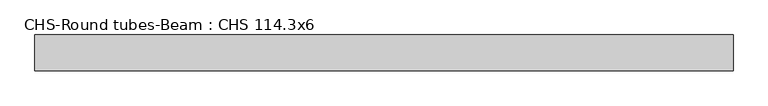
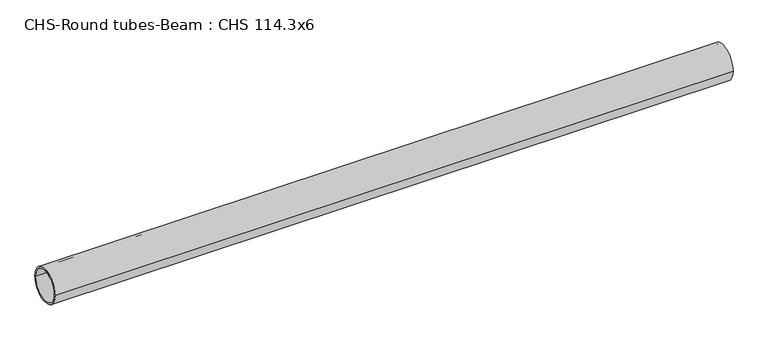
"""IFC4 building model written with IfcOpenShell, lengths in millimetres: beam geometry, CHS-Round tubes-Beam : CHS 114.3x6."""

from ifc_helpers import new_model, si_unit, point, frame, origin, origin_2d, place, context, project, spatial, circle_curve, trimmed, segment, composite_curve, outline, extrude, source, transform, mapped, element, save


def chs_round_tubes_beam_chs_114_3x6_a30f9e39(model_context):
    return source(origin(), model_context, "Body", "SweptSolid", [
        extrude(outline(composite_curve([segment(trimmed(circle_curve(origin_2d(), 57.15), [point((57.15, 0.0))], [point((-57.15, 0.0))], False, "CARTESIAN"), True, "CONTINUOUS"), segment(trimmed(circle_curve(origin_2d(), 57.15), [point((-57.15, 0.0))], [point((57.15, 0.0))], False, "CARTESIAN"), True, "CONTINUOUS")], self_intersect=False), holes=[composite_curve([segment(trimmed(circle_curve(origin_2d(), 51.15), [point((51.15, 0.0))], [point((-51.15, 0.0))], True, "CARTESIAN"), True, "CONTINUOUS"), segment(trimmed(circle_curve(origin_2d(), 51.15), [point((-51.15, 0.0))], [point((51.15, 0.0))], True, "CARTESIAN"), True, "CONTINUOUS")], self_intersect=False)]), frame((-1066.0048234, 0.0, 0.0), z_axis=(1.0, 0.0, 0.0), x_axis=(0.0, 1.0, 0.0)), (0.0, 0.0, 1.0), 2223.0615024),
    ])


if __name__ == "__main__":
    model = new_model("IFC4")
    model_context = context("Model", 3, world=origin())
    ifc_project = project(units=[si_unit("LENGTHUNIT", "METRE", prefix="MILLI")], contexts=[model_context])
    site = spatial("IfcSite", under=ifc_project)
    building = spatial("IfcBuilding", under=site)
    placement = place(None, origin())
    chs_round_tubes_beam_chs_114_3x6_shape = chs_round_tubes_beam_chs_114_3x6_a30f9e39(model_context)
    element("IfcBeam", 1, ObjectType="CHS-Round tubes-Beam : CHS 114.3x6", at=placement, inside=building, context=model_context, shape_type="MappedRepresentation", body=[
        mapped(chs_round_tubes_beam_chs_114_3x6_shape, transform((0.0, 0.0, 0.0), x_axis=(1.0, 0.0, 0.0), y_axis=(0.0, 1.0, 0.0), z_axis=(0.0, 0.0, 1.0))),
    ])
    save(model, "model.ifc")
